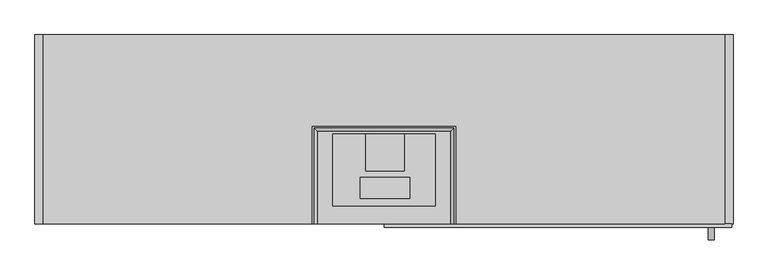
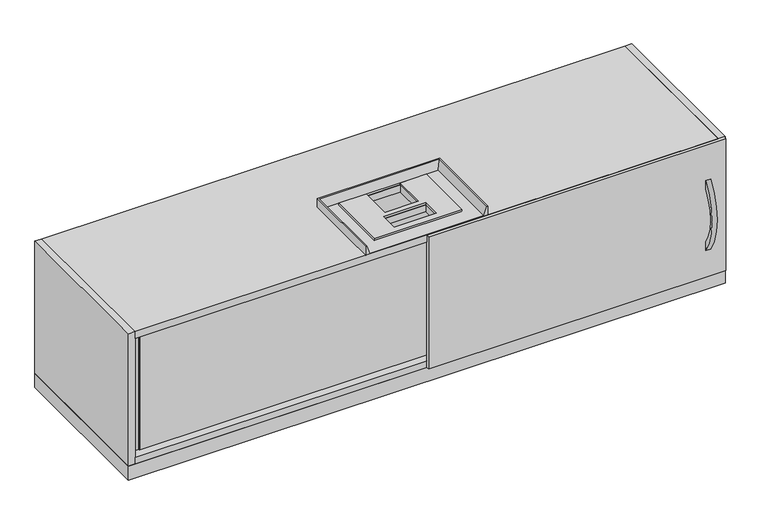
"""IFC4 building model written with IfcOpenShell, lengths in millimetres: furniture geometry."""

from ifc_helpers import new_model, si_unit, point, frame, frame_2d, origin, origin_with_axes, place, context, project, spatial, polyline, circle_curve, trimmed, segment, composite_curve, outline, extrude, faceted_brep, source, transform, mapped, element, save


def furniture_1ad3d3b0(model_context):
    return source(origin(), model_context, "Body", "SolidModel", [
        extrude(outline(polyline([(117.4661449, -11.0070959), (117.4661449, -176.0069274), (-117.4987778, -176.0069274), (-117.4987778, -11.0070959), (-43.0249237, -11.0070959), (-43.0249237, -96.5330817), (48.0273515, -96.5330817), (48.0273515, -11.0070959), (117.4661449, -11.0070959)]), holes=[polyline([(58.751177, -110.0068383), (-53.9989285, -110.0068383), (-53.9989285, -159.0070867), (58.751177, -159.0070867), (58.751177, -110.0068383)])]), frame((0.0, 0.0, 416.6576427), z_axis=(0.0, 0.0, 1.0), x_axis=(1.0, 0.0, 0.0)), (0.0, 0.0, 1.0), 5.1127884),
        extrude(outline(polyline([(781.0, 217.0), (781.0, -217.0), (-781.0, -217.0), (-781.0, 217.0), (781.0, 217.0)]), holes=[polyline([(48.0273515, -11.0070959), (-43.0249237, -11.0070959), (-43.0249237, -96.5330817), (48.0273515, -96.5330817), (48.0273515, -11.0070959)]), polyline([(58.751177, -110.0068383), (-53.9989285, -110.0068383), (-53.9989285, -159.0070867), (58.751177, -159.0070867), (58.751177, -110.0068383)])]), frame((0.0, 0.0, 395.9999793), z_axis=(0.0, 0.0, 1.0), x_axis=(1.0, 0.0, 0.0)), (0.0, 0.0, 1.0), 19.00004),
        faceted_brep([(161.0996276, -217.0, 440.0030409), (152.9661417, -217.0, 416.6576335), (-152.9633999, -217.0, 416.6576427), (-161.0968858, -217.0, 440.0030409), (-164.000392, -217.0, 440.0030409), (-164.000392, -217.0, 415.0000193), (164.0031338, -217.0, 415.0000193), (164.0031338, -217.0, 440.0030409), (-164.000392, 6.9998584, 415.0000193), (164.0031338, 6.9998584, 415.0000193), (48.0273515, -11.0070959, 415.0000193), (-43.0249237, -11.0070959, 415.0000193), (-43.0249237, -96.5330817, 415.0000193), (48.0273515, -96.5330817, 415.0000193), (58.751177, -110.0068383, 415.0000193), (-53.9989285, -110.0068383, 415.0000193), (-53.9989285, -159.0070867, 415.0000193), (58.751177, -159.0070867, 415.0000193), (164.0031338, 6.9998584, 440.0030409), (-164.000392, 6.9998584, 440.0030409), (-161.0968858, 4.0963522, 440.0030409), (161.0996276, 4.0963522, 440.0030409), (152.9661417, -4.0371337, 416.6576335), (-152.9633999, -4.0371337, 416.6576335), (-43.0249237, -11.0070959, 416.6576427), (48.0273515, -11.0070959, 416.6576427), (48.0273515, -96.5330817, 416.6576427), (-43.0249237, -96.5330817, 416.6576427), (-53.9989285, -110.0068383, 416.6576427), (58.751177, -110.0068383, 416.6576427), (58.751177, -159.0070867, 416.6576427), (-53.9989285, -159.0070867, 416.6576427)], [[[0, 1, 2, 3, 4, 5, 6, 7]], [[5, 8, 9, 6], [10, 11, 12, 13], [14, 15, 16, 17]], [[7, 6, 9, 18]], [[0, 7, 18, 19, 4, 3, 20, 21]], [[9, 8, 19, 18]], [[8, 5, 4, 19]], [[1, 0, 21, 22]], [[21, 20, 23, 22]], [[20, 3, 2, 23]], [[2, 1, 22, 23], [24, 25, 26, 27], [28, 29, 30, 31]], [[10, 25, 24, 11]], [[11, 24, 27, 12]], [[12, 27, 26, 13]], [[25, 10, 13, 26]], [[14, 29, 28, 15]], [[15, 28, 31, 16]], [[16, 31, 30, 17]], [[29, 14, 17, 30]]]),
        extrude(outline(polyline([(24.0, -189.0), (24.0, -197.0), (-757.9855543, -197.0), (-757.9855543, -189.0), (24.0, -189.0)])), frame((0.0, 0.0, 59.0000193), z_axis=(0.0, 0.0, 1.0), x_axis=(1.0, 0.0, 0.0)), (0.0, 0.0, 1.0), 336.9999816),
        extrude(outline(polyline([(-781.0, -189.0134718), (-757.9855543, -189.0134718), (-757.9855543, -197.2424476), (-759.0671331, -197.2424476), (-759.5004891, -194.0134717), (-779.5014648, -194.0134717), (-779.5014648, -201.1742875), (-777.862261, -204.0134718), (-781.0, -204.0134718), (-781.0, -189.0134718)])), frame((0.0, 0.0, 59.0000193), z_axis=(0.0, 0.0, 1.0), x_axis=(1.0, 0.0, 0.0)), (0.0, 0.0, 1.0), 336.99996),
        extrude(outline(composite_curve([segment(trimmed(circle_curve(frame_2d((-67.3024614, 214.9999418)), 186.1973818), [point((-225.0, 116.0001877))], [point((-225.0, 313.9996958))], False, "CARTESIAN"), True, "CONTINUOUS"), segment(polyline([(-225.0, 313.9996958), (-225.0, 290.0000808)]), True, "CONTINUOUS"), segment(trimmed(circle_curve(frame_2d((-113.6788327, 214.9999418)), 134.2289952), [point((-225.0, 290.0000808))], [point((-225.0, 139.9998027))], True, "CARTESIAN"), True, "CONTINUOUS"), segment(polyline([(-225.0, 139.9998027), (-225.0, 116.0001877)]), True, "CONTINUOUS")], self_intersect=False)), frame((742.9999998, 0.0, 0.0), z_axis=(1.0, 0.0, 0.0), x_axis=(0.0, 1.0, 0.0)), (0.0, 0.0, 1.0), 14.0000004),
        extrude(outline(polyline([(797.0, -217.0), (797.0, -225.0), (0.0, -225.0), (0.0, -217.0), (797.0, -217.0)])), frame((0.0, 0.0, 39.976906), z_axis=(0.0, 0.0, 1.0), x_axis=(1.0, 0.0, 0.0)), (0.0, 0.0, 1.0), 375.0231133),
        extrude(outline(polyline([(781.0, 198.0), (-781.0, 198.0), (-781.0, 217.0), (781.0, 217.0), (781.0, 198.0)])), frame((0.0, 0.0, 59.0000193), z_axis=(0.0, 0.0, 1.0), x_axis=(1.0, 0.0, 0.0)), (0.0, 0.0, 1.0), 336.99996),
        extrude(outline(polyline([(781.0, 217.0), (781.0, -217.0), (-781.0, -217.0), (-781.0, 217.0), (781.0, 217.0)])), frame((0.0, 0.0, 39.976906), z_axis=(0.0, 0.0, 1.0), x_axis=(1.0, 0.0, 0.0)), (0.0, 0.0, 1.0), 19.0231133),
        extrude(outline(polyline([(800.0, 217.0), (800.0, -217.0), (-800.0, -217.0), (-800.0, 217.0), (800.0, 217.0)])), origin_with_axes(), (0.0, 0.0, 1.0), 39.976906),
        extrude(outline(polyline([(800.0, 217.0), (800.0, -217.0), (781.0, -217.0), (781.0, 217.0), (800.0, 217.0)])), frame((0.0, 0.0, 39.976906), z_axis=(0.0, 0.0, 1.0), x_axis=(1.0, 0.0, 0.0)), (0.0, 0.0, 1.0), 375.0231133),
        extrude(outline(polyline([(-800.0, -217.0), (-800.0, 217.0), (-781.0, 217.0), (-781.0, -217.0), (-800.0, -217.0)])), frame((0.0, 0.0, 39.976906), z_axis=(0.0, 0.0, 1.0), x_axis=(1.0, 0.0, 0.0)), (0.0, 0.0, 1.0), 375.0231133),
    ])


if __name__ == "__main__":
    model = new_model("IFC4")
    model_context = context("Model", 3, world=origin())
    ifc_project = project(units=[si_unit("LENGTHUNIT", "METRE", prefix="MILLI")], contexts=[model_context])
    site = spatial("IfcSite", under=ifc_project)
    building = spatial("IfcBuilding", under=site)
    placement = place(None, origin())
    furniture_shape = furniture_1ad3d3b0(model_context)
    element("IfcFurniture", 1, at=placement, inside=building, context=model_context, shape_type="MappedRepresentation", body=[
        mapped(furniture_shape, transform((0.0, 0.0, 0.0), x_axis=(1.0, 0.0, 0.0), y_axis=(0.0, 1.0, 0.0), z_axis=(0.0, 0.0, 1.0))),
    ])
    save(model, "model.ifc")
